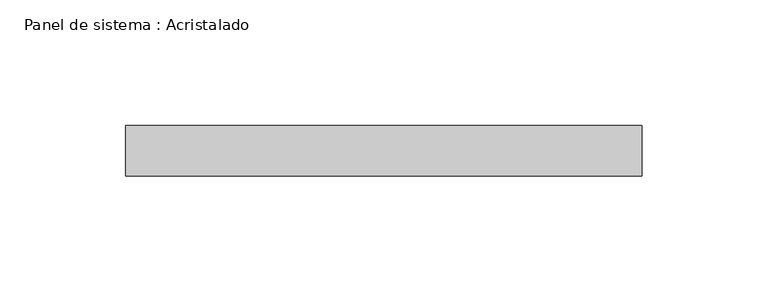
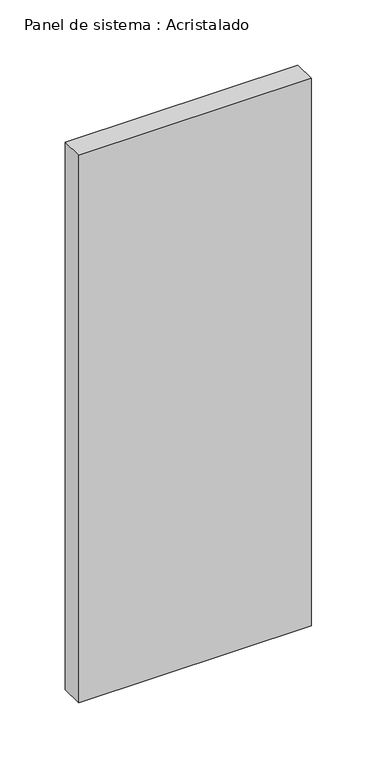
"""IFC4 building model written with IfcOpenShell, lengths in millimetres: plate geometry, Panel de sistema : Acristalado."""

from ifc_helpers import new_model, si_unit, origin, origin_with_axes, place, context, project, spatial, polyline, outline, extrude, source, transform, mapped, element, save


def panel_de_sistema_acristalado_c31f8211(model_context):
    return source(origin(), model_context, "Body", "SweptSolid", [
        extrude(outline(polyline([(102.5, -10.0), (-102.5, -10.0), (-102.5, 10.0), (102.5, 10.0), (102.5, -10.0)])), origin_with_axes(), (0.0, 0.0, 1.0), 510.0),
    ])


if __name__ == "__main__":
    model = new_model("IFC4")
    model_context = context("Model", 3, world=origin())
    ifc_project = project(units=[si_unit("LENGTHUNIT", "METRE", prefix="MILLI")], contexts=[model_context])
    site = spatial("IfcSite", under=ifc_project)
    building = spatial("IfcBuilding", under=site)
    placement = place(None, origin())
    panel_de_sistema_acristalado_shape = panel_de_sistema_acristalado_c31f8211(model_context)
    element("IfcPlate", 1, ObjectType="Panel de sistema : Acristalado", at=placement, inside=building, context=model_context, shape_type="MappedRepresentation", body=[
        mapped(panel_de_sistema_acristalado_shape, transform((0.0, 0.0, 0.0), x_axis=(1.0, 0.0, 0.0), y_axis=(0.0, 1.0, 0.0), z_axis=(0.0, 0.0, 1.0))),
    ])
    save(model, "model.ifc")
